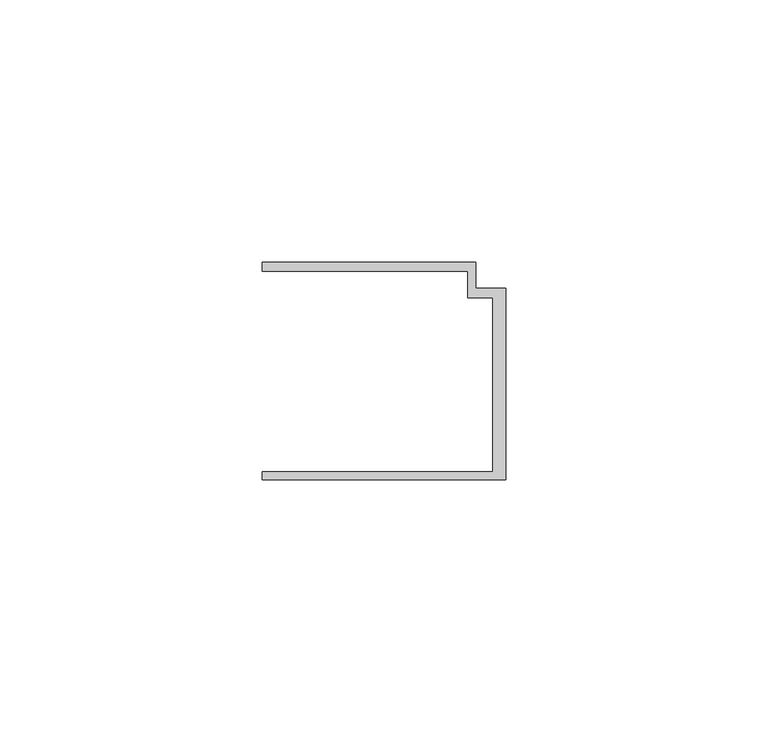
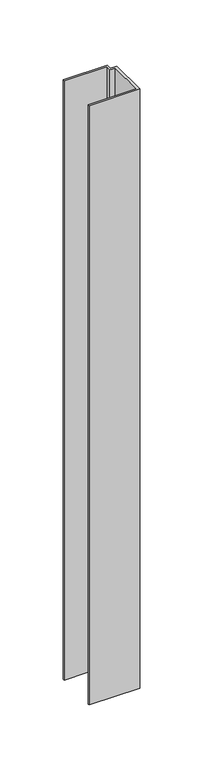
"""IFC4 building model written with IfcOpenShell, lengths in millimetres: member geometry."""

from ifc_helpers import new_model, si_unit, frame, origin, place, context, project, spatial, polyline, outline, extrude, source, transform, mapped, element, save


def member_f4d379e3(model_context):
    return source(origin(), model_context, "Body", "SweptSolid", [
        extrude(outline(polyline([(-46.3, -19.2), (-2.4, -19.2), (-2.4, 14.0), (-7.2, 14.0), (-7.2, 19.0), (-46.3, 19.0), (-46.3, 20.7), (-5.6999992, 20.7), (-5.6999992, 15.8), (0.0, 15.8), (0.0, -20.7), (-46.3, -20.7), (-46.3, -19.2)])), frame((0.0, 0.0, -580.0), z_axis=(0.0, 0.0, 1.0), x_axis=(1.0, 0.0, 0.0)), (0.0, 0.0, 1.0), 580.0),
    ])


if __name__ == "__main__":
    model = new_model("IFC4")
    model_context = context("Model", 3, world=origin())
    ifc_project = project(units=[si_unit("LENGTHUNIT", "METRE", prefix="MILLI")], contexts=[model_context])
    site = spatial("IfcSite", under=ifc_project)
    building = spatial("IfcBuilding", under=site)
    placement = place(None, origin())
    member_shape = member_f4d379e3(model_context)
    element("IfcMember", 1, at=placement, inside=building, context=model_context, shape_type="MappedRepresentation", body=[
        mapped(member_shape, transform((0.0, 0.0, 0.0), x_axis=(1.0, 0.0, 0.0), y_axis=(0.0, 1.0, 0.0), z_axis=(0.0, 0.0, 1.0))),
    ])
    save(model, "model.ifc")
